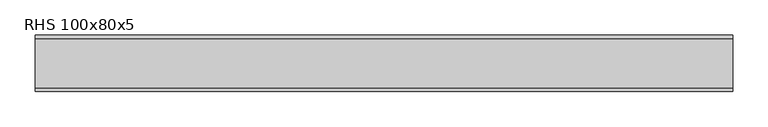
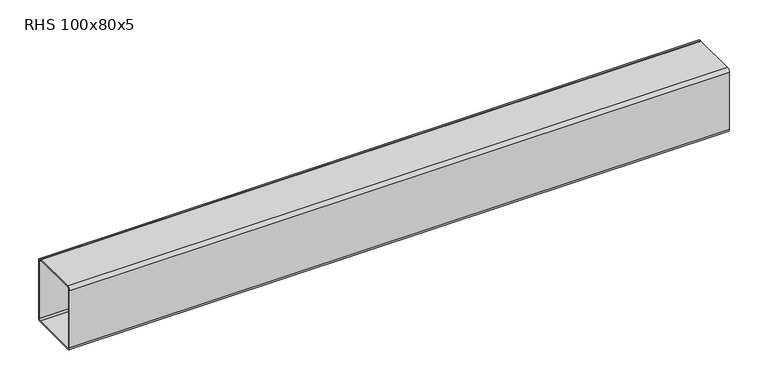
"""IFC4 building model written with IfcOpenShell, lengths in millimetres: beam geometry, RHS 100x80x5."""

from ifc_helpers import new_model, si_unit, point, frame, frame_2d, origin, place, context, project, spatial, polyline, circle_curve, trimmed, segment, composite_curve, outline, extrude, source, transform, mapped, element, save


def rhs_100x80x5_6c8b8446(model_context):
    return source(origin(), model_context, "Body", "SweptSolid", [
        extrude(outline(composite_curve([segment(polyline([(40.0, 45.0), (40.0, -45.0)]), True, "CONTINUOUS"), segment(trimmed(circle_curve(frame_2d((35.0, -45.0)), 5.0), [point((40.0, -45.0))], [point((35.0, -50.0))], False, "CARTESIAN"), True, "CONTINUOUS"), segment(polyline([(35.0, -50.0), (-35.0, -50.0)]), True, "CONTINUOUS"), segment(trimmed(circle_curve(frame_2d((-35.0, -45.0)), 5.0), [point((-35.0, -50.0))], [point((-40.0, -45.0))], False, "CARTESIAN"), True, "CONTINUOUS"), segment(polyline([(-40.0, -45.0), (-40.0, 45.0)]), True, "CONTINUOUS"), segment(trimmed(circle_curve(frame_2d((-35.0, 45.0)), 5.0), [point((-40.0, 45.0))], [point((-35.0, 50.0))], False, "CARTESIAN"), True, "CONTINUOUS"), segment(polyline([(-35.0, 50.0), (35.0, 50.0)]), True, "CONTINUOUS"), segment(trimmed(circle_curve(frame_2d((35.0, 45.0)), 5.0), [point((35.0, 50.0))], [point((40.0, 45.0))], False, "CARTESIAN"), True, "CONTINUOUS")], self_intersect=False), holes=[composite_curve([segment(trimmed(circle_curve(frame_2d((-35.0, 45.0)), 2.5), [point((-35.0, 47.5))], [point((-37.5, 45.0))], True, "CARTESIAN"), True, "CONTINUOUS"), segment(polyline([(-37.5, 45.0), (-37.5, -45.0)]), True, "CONTINUOUS"), segment(trimmed(circle_curve(frame_2d((-35.0, -45.0)), 2.5), [point((-37.5, -45.0))], [point((-35.0, -47.5))], True, "CARTESIAN"), True, "CONTINUOUS"), segment(polyline([(-35.0, -47.5), (35.0, -47.5)]), True, "CONTINUOUS"), segment(trimmed(circle_curve(frame_2d((35.0, -45.0)), 2.5), [point((35.0, -47.5))], [point((37.5, -45.0))], True, "CARTESIAN"), True, "CONTINUOUS"), segment(polyline([(37.5, -45.0), (37.5, 45.0)]), True, "CONTINUOUS"), segment(trimmed(circle_curve(frame_2d((35.0, 45.0)), 2.5), [point((37.5, 45.0))], [point((35.0, 47.5))], True, "CARTESIAN"), True, "CONTINUOUS"), segment(polyline([(35.0, 47.5), (-35.0, 47.5)]), True, "CONTINUOUS")], self_intersect=False)]), frame((-500.1121977, 0.0, 0.0), z_axis=(1.0, 0.0, 0.0), x_axis=(0.0, 1.0, 0.0)), (0.0, 0.0, 1.0), 987.3502108),
    ])


if __name__ == "__main__":
    model = new_model("IFC4")
    model_context = context("Model", 3, world=origin())
    ifc_project = project(units=[si_unit("LENGTHUNIT", "METRE", prefix="MILLI")], contexts=[model_context])
    site = spatial("IfcSite", under=ifc_project)
    building = spatial("IfcBuilding", under=site)
    placement = place(None, origin())
    rhs_100x80x5_shape = rhs_100x80x5_6c8b8446(model_context)
    element("IfcBeam", 1, ObjectType="RHS 100x80x5", at=placement, inside=building, context=model_context, shape_type="MappedRepresentation", body=[
        mapped(rhs_100x80x5_shape, transform((0.0, 0.0, 0.0), x_axis=(1.0, 0.0, 0.0), y_axis=(0.0, 1.0, 0.0), z_axis=(0.0, 0.0, 1.0))),
    ])
    save(model, "model.ifc")
